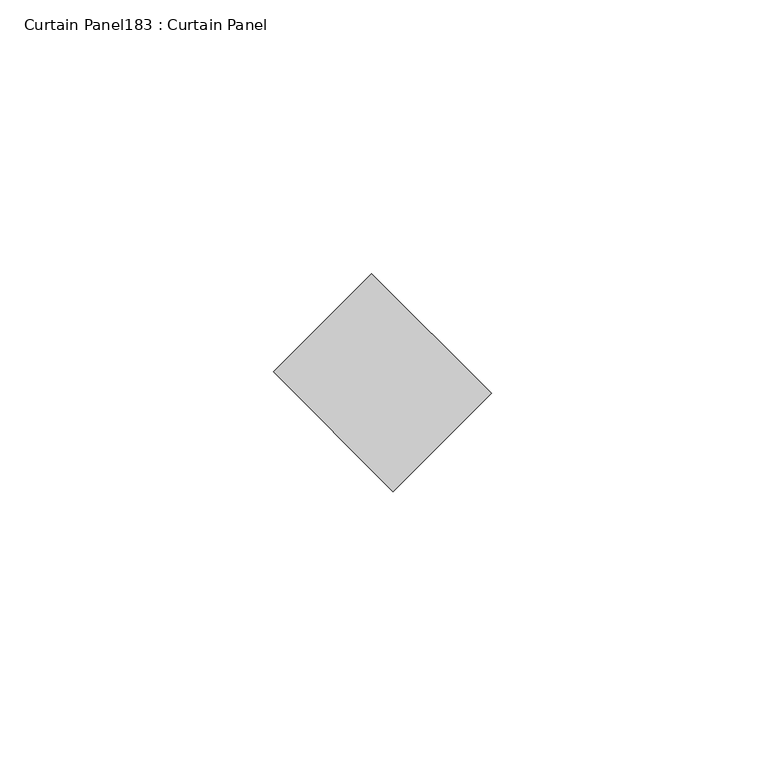
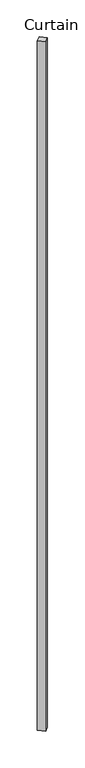
"""IFC4 building model written with IfcOpenShell, lengths in millimetres: plate geometry, Curtain Panel183 : Curtain Panel."""

from ifc_helpers import new_model, si_unit, frame, origin, place, context, project, spatial, polyline, outline, extrude, source, transform, mapped, element, save


def curtain_panel183_curtain_panel_fd5aa1f5(model_context):
    return source(origin(), model_context, "Body", "SweptSolid", [
        extrude(outline(polyline([(590617.5990505, 2517.9856029), (590639.5025096, 2496.0821438), (590621.5419973, 2478.1216316), (590599.6385383, 2500.0250907), (590617.5990505, 2517.9856029)])), frame((0.0, 0.0, 4959.7989371), z_axis=(0.0, 0.0, 1.0), x_axis=(1.0, 0.0, 0.0)), (0.0, 0.0, 1.0), 3048.0),
    ])


if __name__ == "__main__":
    model = new_model("IFC4")
    model_context = context("Model", 3, world=origin())
    ifc_project = project(units=[si_unit("LENGTHUNIT", "METRE", prefix="MILLI")], contexts=[model_context])
    site = spatial("IfcSite", under=ifc_project)
    building = spatial("IfcBuilding", under=site)
    placement = place(None, origin())
    curtain_panel183_curtain_panel_shape = curtain_panel183_curtain_panel_fd5aa1f5(model_context)
    element("IfcPlate", 1, ObjectType="Curtain Panel183 : Curtain Panel", at=placement, inside=building, context=model_context, shape_type="MappedRepresentation", body=[
        mapped(curtain_panel183_curtain_panel_shape, transform((0.0, 0.0, 0.0), x_axis=(1.0, 0.0, 0.0), y_axis=(0.0, 1.0, 0.0), z_axis=(0.0, 0.0, 1.0))),
    ])
    save(model, "model.ifc")
